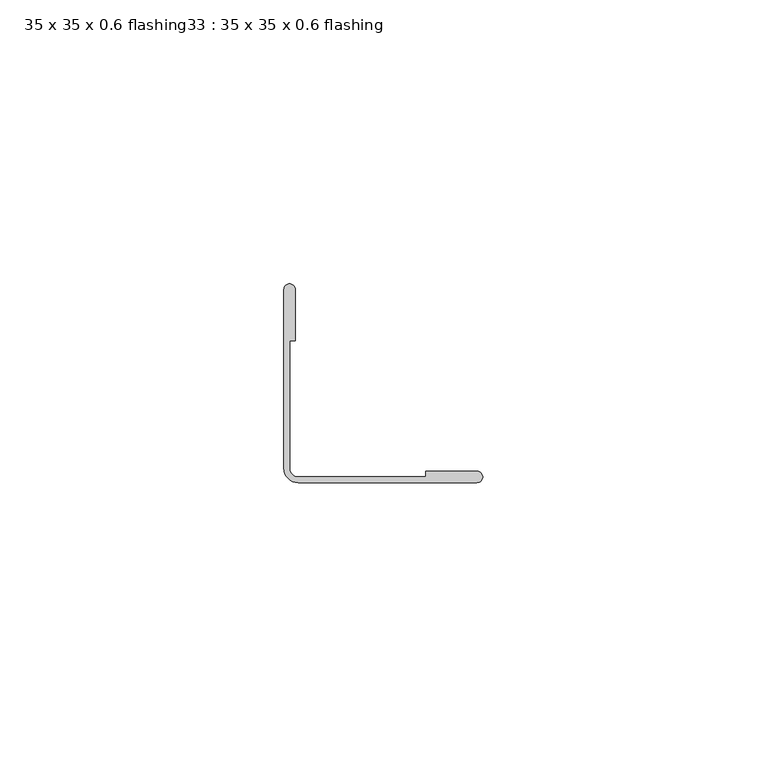
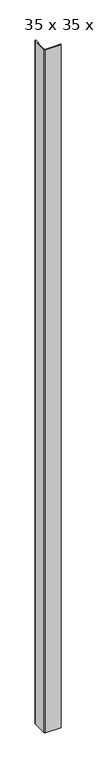
"""IFC4 building model written with IfcOpenShell, lengths in millimetres: proxy geometry, 35 x 35 x 0.6 flashing33 : 35 x 35 x 0.6 flashing."""

from ifc_helpers import new_model, si_unit, point, frame, frame_2d, origin, place, context, project, spatial, polyline, circle_curve, trimmed, segment, composite_curve, outline, extrude, source, transform, mapped, element, save


def proxy_35_x_35_x_0_6_flashing33_35_x_35_x_0_6_flashing_9af10cdb(model_context):
    return source(origin(), model_context, "Body", "SweptSolid", [
        extrude(outline(composite_curve([segment(trimmed(circle_curve(frame_2d((-10706.7294369, -25443.0190893)), 1.0), [point((-10707.7294369, -25443.0190893))], [point((-10705.7294369, -25443.0190893))], False, "CARTESIAN"), True, "CONTINUOUS"), segment(polyline([(-10705.7294369, -25443.0190893), (-10705.7294369, -25452.0208734), (-10706.7294369, -25452.0208734), (-10706.7294369, -25474.5208734)]), True, "CONTINUOUS"), segment(trimmed(circle_curve(frame_2d((-10705.2294369, -25474.5208734)), 1.5), [point((-10706.7294369, -25474.5208734))], [point((-10705.2294369, -25476.0208734))], True, "CARTESIAN"), True, "CONTINUOUS"), segment(polyline([(-10705.2294369, -25476.0208734), (-10682.7294369, -25476.0208734), (-10682.7294369, -25475.0208734), (-10673.7276528, -25475.0208734)]), True, "CONTINUOUS"), segment(trimmed(circle_curve(frame_2d((-10673.7276528, -25476.0208734)), 1.0), [point((-10673.7276528, -25475.0208734))], [point((-10673.7276528, -25477.0208734))], False, "CARTESIAN"), True, "CONTINUOUS"), segment(polyline([(-10673.7276528, -25477.0208734), (-10705.2294369, -25477.0208734)]), True, "CONTINUOUS"), segment(trimmed(circle_curve(frame_2d((-10705.2294369, -25474.5208734)), 2.5), [point((-10705.2294369, -25477.0208734))], [point((-10707.7294369, -25474.5208734))], False, "CARTESIAN"), True, "CONTINUOUS"), segment(polyline([(-10707.7294369, -25474.5208734), (-10707.7294369, -25443.0190893)]), True, "CONTINUOUS")], self_intersect=False)), frame((0.0, 0.0, -48.9041894), z_axis=(0.0, 0.0, 1.0), x_axis=(1.0, 0.0, 0.0)), (0.0, 0.0, 1.0), 1500.0),
    ])


if __name__ == "__main__":
    model = new_model("IFC4")
    model_context = context("Model", 3, world=origin())
    ifc_project = project(units=[si_unit("LENGTHUNIT", "METRE", prefix="MILLI")], contexts=[model_context])
    site = spatial("IfcSite", under=ifc_project)
    building = spatial("IfcBuilding", under=site)
    placement = place(None, origin())
    proxy_35_x_35_x_0_6_flashing33_35_x_35_x_0_6_flashing_shape = proxy_35_x_35_x_0_6_flashing33_35_x_35_x_0_6_flashing_9af10cdb(model_context)
    element("IfcBuildingElementProxy", 1, Name="35 x 35 x 0.6 flashing33 : 35 x 35 x 0.6 flashing", ObjectType="35 x 35 x 0.6 flashing33 : 35 x 35 x 0.6 flashing", at=placement, inside=building, context=model_context, shape_type="MappedRepresentation", body=[
        mapped(proxy_35_x_35_x_0_6_flashing33_35_x_35_x_0_6_flashing_shape, transform((0.0, 0.0, 0.0), x_axis=(1.0, 0.0, 0.0), y_axis=(0.0, 1.0, 0.0), z_axis=(0.0, 0.0, 1.0))),
    ])
    save(model, "model.ifc")
